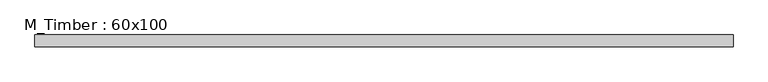
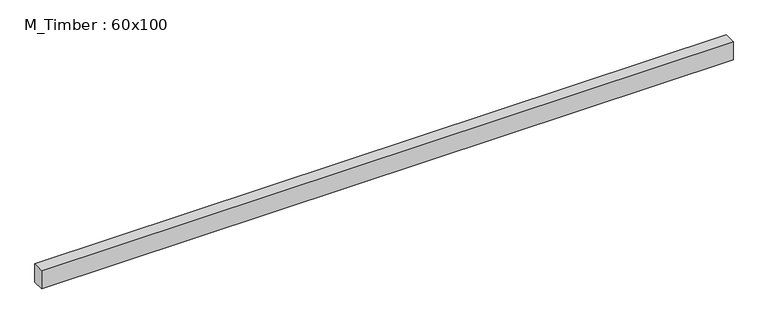
"""IFC4 building model written with IfcOpenShell, lengths in millimetres: beam geometry, M_Timber : 60x100."""

import ifcopenshell
import ifcopenshell.guid

model = None  # the IFC model being written
_history = None  # IfcOwnerHistory: only IFC2X3 demands one
_inside = {}  # id of a spatial element -> (the spatial element, [elements in it])
_under = {}  # id of a project, library or spatial element -> (it, [spatial elements below it])
_declared = {}  # id of a project -> (the project, [libraries it declares])
_typed = {}  # id of a type object -> (the type object, [elements of that type])
_made_of = {}  # id of a material, layer set ... -> (it, [elements and type objects made of it])


def new_model(schema):
    """Start an empty IFC model of exactly this schema.

    Asked for "IFC4X3", IfcOpenShell would pick the latest addendum, in which some entities
    have other attributes; the version numbers below select the first issue.
    IFC2X3 requires an IfcOwnerHistory on every rooted entity: one is made here for all.
    """
    global model, _history
    if schema == "IFC4X3":
        model = ifcopenshell.file(schema_version=(4, 3, 0, 0))
    else:
        model = ifcopenshell.file(schema=schema)
    _inside.clear()
    _under.clear()
    _declared.clear()
    _typed.clear()
    _made_of.clear()
    _history = None
    if model.schema == "IFC2X3":
        org = make("IfcOrganization", Name="unknown")
        user = make(
            "IfcPersonAndOrganization",
            ThePerson=make("IfcPerson", FamilyName="unknown"),
            TheOrganization=org,
        )
        app = make(
            "IfcApplication",
            ApplicationDeveloper=org,
            Version="unknown",
            ApplicationFullName="unknown",
            ApplicationIdentifier="unknown",
        )
        _history = make(
            "IfcOwnerHistory",
            OwningUser=user,
            OwningApplication=app,
            ChangeAction="ADDED",
            CreationDate=0,
        )
    return model


def make(cls, **values):
    """One entity of the class cls with the attributes given. An attribute that is None is left unset."""
    return model.create_entity(
        cls, **{name: value for name, value in values.items() if value is not None}
    )


def rooted(cls, **values):
    """An entity with a GlobalId (a new one), such as an element, a storey or a relation."""
    return make(cls, GlobalId=ifcopenshell.guid.new(), OwnerHistory=_history, **values)


def si_unit(unit_type, name, prefix=None):
    """IfcSIUnit, for example si_unit("LENGTHUNIT", "METRE", prefix="MILLI")."""
    return make("IfcSIUnit", UnitType=unit_type, Prefix=prefix, Name=name)


def assignment(units):
    """IfcUnitAssignment: the units of a project."""
    return None if units is None else make("IfcUnitAssignment", Units=units)


def point(xyz):
    """IfcCartesianPoint."""
    return None if xyz is None else make("IfcCartesianPoint", Coordinates=xyz)


def direction(xyz):
    """IfcDirection."""
    return None if xyz is None else make("IfcDirection", DirectionRatios=xyz)


def frame(location, z_axis=None, x_axis=None):
    """IfcAxis2Placement3D, a coordinate frame: its origin and axes. An axis left out is left unset."""
    return make(
        "IfcAxis2Placement3D",
        Location=point(location),
        Axis=direction(z_axis),
        RefDirection=direction(x_axis),
    )


def origin():
    """The frame at (0, 0, 0) with its axes left unset."""
    return frame((0.0, 0.0, 0.0))


def place(relative_to, where):
    """IfcLocalPlacement: puts the frame where relative to a parent placement (None: the world)."""
    return make(
        "IfcLocalPlacement", PlacementRelTo=relative_to, RelativePlacement=where
    )


def context(
    kind, dimensions, precision=None, world=None, true_north=None, identifier=None
):
    """IfcGeometricRepresentationContext, for example the 3D "Model" context."""
    return make(
        "IfcGeometricRepresentationContext",
        ContextIdentifier=identifier,
        ContextType=kind,
        CoordinateSpaceDimension=dimensions,
        Precision=precision,
        WorldCoordinateSystem=world,
        TrueNorth=true_north,
    )


def project(units=None, contexts=None):
    """IfcProject with its units and contexts."""
    return rooted(
        "IfcProject",
        Name="project",
        RepresentationContexts=contexts,
        UnitsInContext=assignment(units),
    )


def spatial(cls, under=None, at=None, **own):
    """A site, building, storey or space (cls), placed at a placement, below another one or the project."""
    s = rooted(cls, ObjectPlacement=at, **own)
    if under is not None:
        _under.setdefault(under.id(), (under, []))[1].append(s)
    return s


def polyline(points):
    """IfcPolyline through the points."""
    return make("IfcPolyline", Points=[point(p) for p in points])


def outline(outer, holes=None, kind="AREA"):
    """IfcArbitraryClosedProfileDef: a profile drawn as a closed curve; with holes, ...WithVoids."""
    if holes is None:
        return make("IfcArbitraryClosedProfileDef", ProfileType=kind, OuterCurve=outer)
    return make(
        "IfcArbitraryProfileDefWithVoids",
        ProfileType=kind,
        OuterCurve=outer,
        InnerCurves=holes,
    )


def extrude(swept, where, along, depth):
    """IfcExtrudedAreaSolid: the profile swept, set in the frame where, extruded along a direction by depth."""
    return make(
        "IfcExtrudedAreaSolid",
        SweptArea=swept,
        Position=where,
        ExtrudedDirection=direction(along),
        Depth=depth,
    )


def shape(context_of_items, identifier, shape_type, items):
    """IfcShapeRepresentation: the items that make up one representation, for example the "Body"."""
    return make(
        "IfcShapeRepresentation",
        ContextOfItems=context_of_items,
        RepresentationIdentifier=identifier,
        RepresentationType=shape_type,
        Items=items,
    )


def source(mapping_origin, context_of_items, identifier, shape_type, items):
    """IfcRepresentationMap: a shape defined once, which mapped items show again and again."""
    return make(
        "IfcRepresentationMap",
        MappingOrigin=mapping_origin,
        MappedRepresentation=shape(context_of_items, identifier, shape_type, items),
    )


def transform(
    local_origin,
    x_axis=None,
    y_axis=None,
    z_axis=None,
    scale=None,
    scale2=None,
    scale3=None,
    uniform=True,
):
    """IfcCartesianTransformationOperator3D, or its non-uniform kind. x_axis, y_axis, z_axis: its Axis1, 2, 3."""
    if uniform:
        return make(
            "IfcCartesianTransformationOperator3D",
            Axis1=direction(x_axis),
            Axis2=direction(y_axis),
            LocalOrigin=point(local_origin),
            Scale=scale,
            Axis3=direction(z_axis),
        )
    return make(
        "IfcCartesianTransformationOperator3DnonUniform",
        Axis1=direction(x_axis),
        Axis2=direction(y_axis),
        LocalOrigin=point(local_origin),
        Scale=scale,
        Axis3=direction(z_axis),
        Scale2=scale2,
        Scale3=scale3,
    )


def mapped(mapping_source, mapping_target):
    """IfcMappedItem: shows the shape of a source again, moved by a transform."""
    return make(
        "IfcMappedItem", MappingSource=mapping_source, MappingTarget=mapping_target
    )


def made_of(thing, what):
    """Note that an element or type object is made of a material, layer set ...; save() writes the relation."""
    if what is not None:
        _made_of.setdefault(what.id(), (what, []))[1].append(thing)
    return thing


def element(
    cls,
    number,
    at=None,
    inside=None,
    cuts=None,
    type_object=None,
    material=None,
    context=None,
    identifier="Body",
    shape_type=None,
    held_by="IfcProductDefinitionShape",
    body=None,
    shapes=None,
    **own,
):
    """One element of the class cls, such as IfcWall. Its Tag is "e" and its number.

    at: its placement. inside: the storey or other place that contains it. cuts: it is an
    opening in that element (IfcRelVoidsElement). A single representation is given by context,
    identifier, shape_type and body (its items); several are given by shapes. held_by: the class
    of the entity that holds the representations. save() writes the other relations.
    """
    e = rooted(cls, Tag="e%d" % number, ObjectPlacement=at, **own)
    if body is not None:
        shapes = [shape(context, identifier, shape_type, body)]
    if shapes is not None:
        e.Representation = make(held_by, Representations=shapes)
    if inside is not None:
        _inside.setdefault(inside.id(), (inside, []))[1].append(e)
    if cuts is not None:
        rooted(
            "IfcRelVoidsElement", RelatingBuildingElement=cuts, RelatedOpeningElement=e
        )
    if type_object is not None:
        _typed.setdefault(type_object.id(), (type_object, []))[1].append(e)
    return made_of(e, material)


def aggregate(whole, parts):
    """IfcRelAggregates: a whole, such as a stair, and the parts it consists of."""
    return rooted("IfcRelAggregates", RelatingObject=whole, RelatedObjects=parts)


def save(model, path):
    """Write the relations noted so far, then the file.

    IfcRelAggregates (storeys below a building ...), IfcRelContainedInSpatialStructure (elements
    in a storey), IfcRelDefinesByType, IfcRelAssociatesMaterial and IfcRelDeclares: one each for
    every whole, place, type object, material and project.
    """
    for whole, parts in _under.values():
        aggregate(whole, parts)
    for where, things in _inside.values():
        rooted(
            "IfcRelContainedInSpatialStructure",
            RelatedElements=things,
            RelatingStructure=where,
        )
    for kind, things in _typed.values():
        rooted("IfcRelDefinesByType", RelatedObjects=things, RelatingType=kind)
    for what, things in _made_of.values():
        rooted("IfcRelAssociatesMaterial", RelatedObjects=things, RelatingMaterial=what)
    for by, libraries in _declared.values():
        rooted("IfcRelDeclares", RelatingContext=by, RelatedDefinitions=libraries)
    model.write(path)


def m_timber_60x100_904eeaaa(model_context):
    return source(origin(), model_context, "Body", "SweptSolid", [
        extrude(outline(polyline([(1683.8855995, 30.0), (1683.8855995, -30.0), (-1877.2202797, -30.0), (-1877.2202797, 30.0), (1683.8855995, 30.0)])), frame((0.0, 0.0, -50.0), z_axis=(0.0, 0.0, 1.0), x_axis=(1.0, 0.0, 0.0)), (0.0, 0.0, 1.0), 100.0),
    ])


if __name__ == "__main__":
    model = new_model("IFC4")
    model_context = context("Model", 3, world=origin())
    ifc_project = project(units=[si_unit("LENGTHUNIT", "METRE", prefix="MILLI")], contexts=[model_context])
    site = spatial("IfcSite", under=ifc_project)
    building = spatial("IfcBuilding", under=site)
    placement = place(None, origin())
    m_timber_60x100_shape = m_timber_60x100_904eeaaa(model_context)
    element("IfcBeam", 1, ObjectType="M_Timber : 60x100", at=placement, inside=building, context=model_context, shape_type="MappedRepresentation", body=[
        mapped(m_timber_60x100_shape, transform((0.0, 0.0, 0.0), x_axis=(1.0, 0.0, 0.0), y_axis=(0.0, 1.0, 0.0), z_axis=(0.0, 0.0, 1.0))),
    ])
    save(model, "model.ifc")
